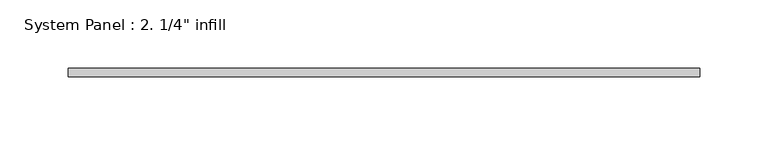
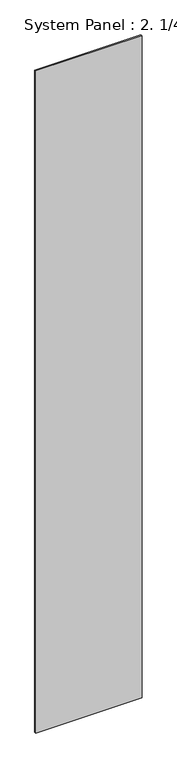
"""IFC4 building model written with IfcOpenShell, lengths in millimetres: plate geometry."""

from ifc_helpers import new_model, si_unit, origin, origin_with_axes, place, context, project, spatial, polyline, outline, extrude, source, transform, mapped, element, save


def plate_55643a6a(model_context):
    return source(origin(), model_context, "Body", "SweptSolid", [
        extrude(outline(polyline([(231.775, 0.0), (-231.775, 0.0), (-231.775, 6.35), (231.775, 6.35), (231.775, 0.0)])), origin_with_axes(), (0.0, 0.0, 1.0), 3048.0),
    ])


if __name__ == "__main__":
    model = new_model("IFC4")
    model_context = context("Model", 3, world=origin())
    ifc_project = project(units=[si_unit("LENGTHUNIT", "METRE", prefix="MILLI")], contexts=[model_context])
    site = spatial("IfcSite", under=ifc_project)
    building = spatial("IfcBuilding", under=site)
    placement = place(None, origin())
    plate_shape = plate_55643a6a(model_context)
    element("IfcPlate", 1, ObjectType="System Panel : 2. 1/4\" infill", at=placement, inside=building, context=model_context, shape_type="MappedRepresentation", body=[
        mapped(plate_shape, transform((0.0, 0.0, 0.0), x_axis=(1.0, 0.0, 0.0), y_axis=(0.0, 1.0, 0.0), z_axis=(0.0, 0.0, 1.0))),
    ])
    save(model, "model.ifc")
